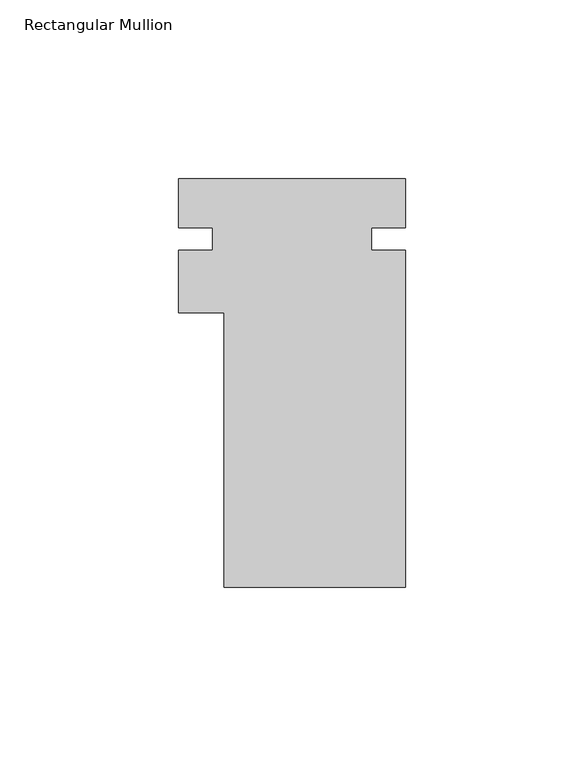
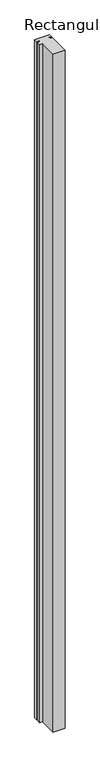
"""IFC4 building model written with IfcOpenShell, lengths in millimetres: member geometry, Rectangular Mullion."""

from ifc_helpers import new_model, si_unit, frame, origin, place, context, project, spatial, polyline, outline, extrude, source, transform, mapped, element, save


def rectangular_mullion_fe911f2b(model_context):
    return source(origin(), model_context, "Body", "SweptSolid", [
        extrude(outline(polyline([(25.4, -39.773225), (-25.4, -39.773225), (-25.4, 37.061775), (-38.0999959, 37.061775), (-38.0999959, 54.524275), (-28.5749959, 54.524275), (-28.5749959, 60.874275), (-38.0999959, 60.874275), (-38.0999959, 74.526775), (25.4, 74.526775), (25.4, 60.874275), (15.875, 60.874275), (15.875, 54.524275), (25.4, 54.524275), (25.4, -39.773225)])), frame((0.0, 0.0, -3048.0), z_axis=(0.0, 0.0, 1.0), x_axis=(1.0, 0.0, 0.0)), (0.0, 0.0, 1.0), 3048.0),
    ])


if __name__ == "__main__":
    model = new_model("IFC4")
    model_context = context("Model", 3, world=origin())
    ifc_project = project(units=[si_unit("LENGTHUNIT", "METRE", prefix="MILLI")], contexts=[model_context])
    site = spatial("IfcSite", under=ifc_project)
    building = spatial("IfcBuilding", under=site)
    placement = place(None, origin())
    rectangular_mullion_shape = rectangular_mullion_fe911f2b(model_context)
    element("IfcMember", 1, ObjectType="Rectangular Mullion", at=placement, inside=building, context=model_context, shape_type="MappedRepresentation", body=[
        mapped(rectangular_mullion_shape, transform((0.0, 0.0, 0.0), x_axis=(1.0, 0.0, 0.0), y_axis=(0.0, 1.0, 0.0), z_axis=(0.0, 0.0, 1.0))),
    ])
    save(model, "model.ifc")
